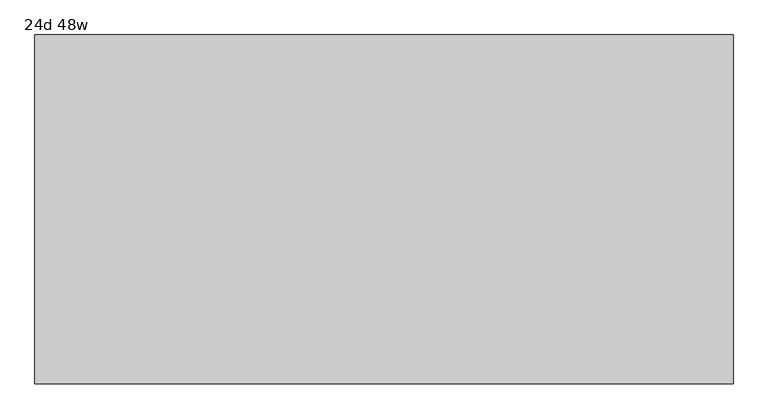
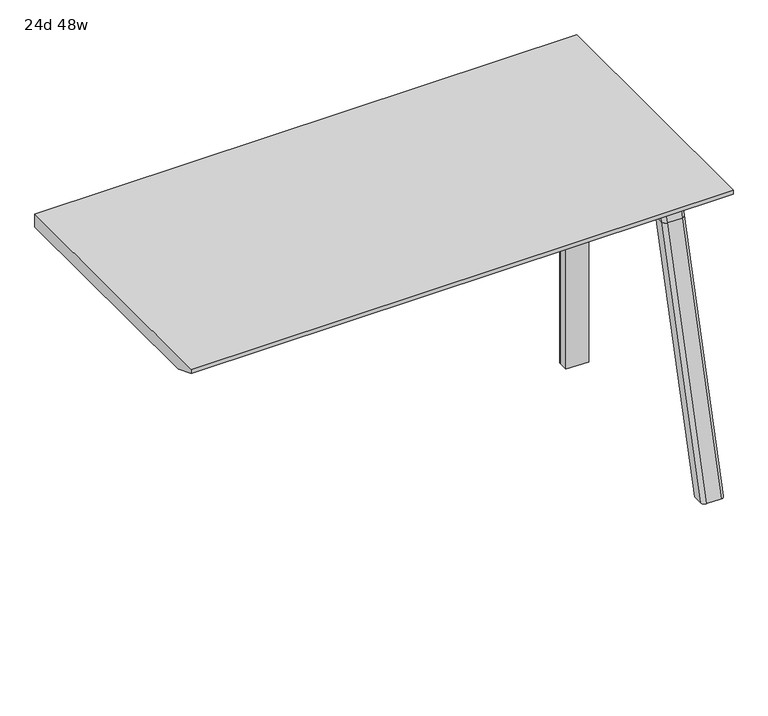
"""IFC4 building model written with IfcOpenShell, lengths in millimetres: furniture geometry, 24d 48w."""

from ifc_helpers import new_model, si_unit, point, frame, frame_2d, origin, place, context, project, spatial, polyline, circle_curve, ellipse_curve, trimmed, segment, composite_curve, outline, extrude, source, transform, mapped, element, save
from ifc_brep_helpers import plane_surface, cylinder_surface, revolved_surface, advanced_brep


def furniture_24d_48w_3c1b94b5(model_context):
    return source(origin(), model_context, "Body", "SolidModel", [
        extrude(outline(composite_curve([segment(polyline([(-258.4909766, 711.2), (-267.5490774, 677.3947076)]), True, "CONTINUOUS"), segment(trimmed(circle_curve(frame_2d((-282.8831499, 681.5034599)), 15.875), [point((-267.5490774, 677.3947076))], [point((-282.8831499, 665.6284599))], False, "CARTESIAN"), True, "CONTINUOUS"), segment(polyline([(-282.8831499, 665.6284599), (-553.1863033, 665.6284599)]), True, "CONTINUOUS"), segment(trimmed(circle_curve(frame_2d((-553.1863033, 681.5034599)), 15.875), [point((-553.1863033, 665.6284599))], [point((-568.5203758, 677.3947076))], False, "CARTESIAN"), True, "CONTINUOUS"), segment(polyline([(-568.5203758, 677.3947076), (-577.5784766, 711.2), (-258.4909766, 711.2)]), True, "CONTINUOUS")], self_intersect=False)), frame((774.7, 0.0, 0.0), z_axis=(1.0, 0.0, 0.0), x_axis=(0.0, 1.0, 0.0)), (0.0, 0.0, 1.0), 38.1),
        extrude(outline(polyline([(819.15, -318.8159766), (819.15, -517.2534766), (768.35, -517.2534766), (768.35, -318.8159766), (819.15, -318.8159766)])), frame((0.0, 0.0, 635.6476591), z_axis=(0.0, 0.0, 1.0), x_axis=(1.0, 0.0, 0.0)), (0.0, 0.0, 1.0), 29.9808008),
        advanced_brep(
        [(819.15, -258.4446478, 711.2), (819.15, -267.5027486, 677.3947076), (819.15, -282.8368211, 665.6284599), (819.15, -318.8159766, 665.6284599), (819.15, -318.8159766, 635.6476591), (819.15, -307.7034766, 635.6476591), (819.15, -256.9034766, 584.8476591), (819.15, -256.9034766, 576.659375), (819.15, -234.6784766, 576.659375), (819.15, -234.6784766, 711.2), (768.35, -256.9034766, 576.659375), (768.35, -256.9034766, 584.8476591), (768.35, -307.7034766, 635.6476591), (768.35, -318.8159766, 635.6476591), (768.35, -318.8159766, 665.6284599), (768.35, -282.8368211, 665.6284599), (768.35, -267.5027486, 677.3947076), (768.35, -258.4446478, 711.2), (768.35, -234.6784766, 711.2), (768.35, -234.6784766, 576.659375), (809.625, -225.1534766, 711.2), (777.875, -225.1534766, 711.2), (777.875, -225.1534766, 576.659375), (809.625, -225.1534766, 576.659375)],
        [
            (0, 1),
            (1, 2, circle_curve(frame((819.15, -282.8368211, 681.5034599), z_axis=(-1.0, 0.0, 0.0), x_axis=(0.0, 1.0, 0.0)), 15.875)),
            (2, 3),
            (3, 4),
            (4, 5),
            (5, 6, circle_curve(frame((819.15, -307.7034766, 584.8476591), z_axis=(-1.0, 0.0, 0.0), x_axis=(0.0, 1.0, 0.0)), 50.8)),
            (6, 7),
            (7, 8),
            (8, 9),
            (9, 0),
            (10, 11),
            (11, 12, circle_curve(frame((768.35, -307.7034766, 584.8476591), z_axis=(1.0, 0.0, 0.0), x_axis=(0.0, 1.0, 0.0)), 50.8)),
            (12, 13),
            (13, 14),
            (14, 15),
            (15, 16, circle_curve(frame((768.35, -282.8368211, 681.5034599), z_axis=(1.0, 0.0, 0.0), x_axis=(0.0, 1.0, 0.0)), 15.875)),
            (16, 17),
            (17, 18),
            (18, 19),
            (19, 10),
            (17, 0),
            (9, 20, circle_curve(frame((809.625, -234.6784766, 711.2), z_axis=(0.0, 0.0, 1.0), x_axis=(-1.0, 0.0, 0.0)), 9.525)),
            (20, 21),
            (21, 18, circle_curve(frame((777.875, -234.6784766, 711.2), z_axis=(0.0, 0.0, 1.0), x_axis=(-1.0, 0.0, 0.0)), 9.525)),
            (16, 1),
            (15, 2),
            (14, 3),
            (13, 4),
            (12, 5),
            (7, 10),
            (19, 22, circle_curve(frame((777.875, -234.6784766, 576.659375), z_axis=(0.0, 0.0, -1.0), x_axis=(-1.0, 0.0, 0.0)), 9.525)),
            (22, 23),
            (23, 8, circle_curve(frame((809.625, -234.6784766, 576.659375), z_axis=(0.0, 0.0, -1.0), x_axis=(-1.0, 0.0, 0.0)), 9.525)),
            (11, 6),
            (23, 20),
            (21, 22),
        ],
        [
            plane_surface(frame((819.15, -218.226947, 711.2), z_axis=(1.0, 0.0, 0.0), x_axis=(0.0, -1.0, 0.0))),
            plane_surface(frame((768.35, -218.226947, 711.2), z_axis=(-1.0, 0.0, 0.0), x_axis=(0.0, 1.0, 0.0))),
            plane_surface(frame((819.15, -218.226947, 711.2), z_axis=(0.0, 0.0, 1.0), x_axis=(-1.0, 0.0, 0.0))),
            plane_surface(frame((819.15, -258.4446478, 711.2), z_axis=(0.0, -0.9659258262890683, 0.2588190451025207), x_axis=(-1.0, 0.0, 0.0))),
            revolved_surface(polyline([(768.35, -266.9618211, 681.5034599), (819.15, -266.9618211, 681.5034599)]), (768.35, -282.8368211, 681.5034599), (-1.0, 0.0, 0.0)),
            plane_surface(frame((819.15, -282.8368211, 665.6284599), z_axis=(0.0, 0.0, 1.0), x_axis=(-1.0, 0.0, 0.0))),
            plane_surface(frame((819.15, -318.8159766, 665.6284599), z_axis=(0.0, -1.0, 0.0), x_axis=(-1.0, 0.0, 0.0))),
            plane_surface(frame((819.15, -318.8159766, 635.6476591), z_axis=(0.0, 0.0, -1.0), x_axis=(-1.0, 0.0, 0.0))),
            plane_surface(frame((819.15, -256.9034766, 576.659375), z_axis=(0.0, 0.0, -1.0), x_axis=(-1.0, 0.0, 0.0))),
            revolved_surface(polyline([(768.35, -256.9034766, 584.8476591), (819.15, -256.9034766, 584.8476591)]), (768.35, -307.7034766, 584.8476591), (-1.0, 0.0, 0.0)),
            plane_surface(frame((819.15, -256.9034766, 584.8476591), z_axis=(0.0, -1.0, 0.0), x_axis=(-1.0, 0.0, 0.0))),
            cylinder_surface(frame((809.625, -234.6784766, 524.9807374), z_axis=(0.0, 0.0, -1.0), x_axis=(-1.0, 0.0, 0.0)), 9.525),
            cylinder_surface(frame((777.875, -234.6784766, 524.9807374), z_axis=(0.0, 0.0, -1.0), x_axis=(-1.0, 0.0, 0.0)), 9.525),
            plane_surface(frame((777.875, -225.1534766, 711.2), z_axis=(0.0, 1.0, 0.0), x_axis=(0.0, 0.0, -1.0))),
        ],
        [
            (0, [[1, 2, 3, 4, 5, 6, 7, 8, 9, 10]]),
            (1, [[11, 12, 13, 14, 15, 16, 17, 18, 19, 20]]),
            (2, [[21, -10, 22, 23, 24, -18]]),
            (3, [[-1, -21, -17, 25]]),
            (4, [[-2, -25, -16, 26]]),
            (5, [[-3, -26, -15, 27]]),
            (6, [[-4, -27, -14, 28]]),
            (7, [[-5, -28, -13, 29]]),
            (8, [[30, -20, 31, 32, 33, -8]]),
            (9, [[-6, -29, -12, 34]]),
            (10, [[-7, -34, -11, -30]]),
            (11, [[35, -22, -9, -33]]),
            (12, [[36, -31, -19, -24]]),
            (13, [[-35, -32, -36, -23]]),
        ],
    ),
        advanced_brep(
        [(768.35, -256.9034766, 576.659375), (819.15, -256.9034766, 576.659375), (819.15, -234.6784766, 576.659375), (809.625, -225.1534766, 576.659375), (777.875, -225.1534766, 576.659375), (768.35, -234.6784766, 576.659375), (768.35, -256.9034766, 0.0), (768.35, -234.6784766, 0.0), (777.875, -225.1534766, 0.0), (809.625, -225.1534766, 0.0), (819.15, -234.6784766, 0.0), (819.15, -256.9034766, 0.0), (819.15, -234.6784766, 524.9807374), (809.625, -225.1534766, 524.9807374), (777.875, -225.1534766, 524.9807374), (768.35, -234.6784766, 524.9807374)],
        [
            (0, 1),
            (1, 2),
            (2, 3, circle_curve(frame((809.625, -234.6784766, 576.659375), z_axis=(0.0, 0.0, 1.0), x_axis=(-1.0, 0.0, 0.0)), 9.525)),
            (3, 4),
            (4, 5, circle_curve(frame((777.875, -234.6784766, 576.659375), z_axis=(0.0, 0.0, 1.0), x_axis=(-1.0, 0.0, 0.0)), 9.525)),
            (5, 0),
            (6, 7),
            (7, 8, circle_curve(frame((777.875, -234.6784766, 0.0), z_axis=(0.0, 0.0, -1.0), x_axis=(-1.0, 0.0, 0.0)), 9.525)),
            (8, 9),
            (9, 10, circle_curve(frame((809.625, -234.6784766, 0.0), z_axis=(0.0, 0.0, -1.0), x_axis=(-1.0, 0.0, 0.0)), 9.525)),
            (10, 11),
            (11, 6),
            (0, 6),
            (11, 1),
            (10, 12),
            (12, 2),
            (9, 13),
            (13, 3),
            (8, 14),
            (14, 4),
            (7, 15),
            (15, 5),
        ],
        [
            plane_surface(frame((826.3462903, -256.9034766, 576.659375), z_axis=(0.0, 0.0, 1.0), x_axis=(1.0, 0.0, 0.0))),
            plane_surface(frame((826.3462903, -256.9034766, 0.0), z_axis=(0.0, 0.0, -1.0), x_axis=(-1.0, 0.0, 0.0))),
            plane_surface(frame((768.35, -256.9034766, 576.659375), z_axis=(0.0, -1.0, 0.0), x_axis=(0.0, 0.0, -1.0))),
            plane_surface(frame((819.15, -256.9034766, 576.659375), z_axis=(1.0, 0.0, 0.0), x_axis=(0.0, 0.0, -1.0))),
            cylinder_surface(frame((809.625, -234.6784766, 0.0), z_axis=(0.0, 0.0, 1.0), x_axis=(-1.0, 0.0, 0.0)), 9.525),
            plane_surface(frame((809.625, -225.1534766, 576.659375), z_axis=(0.0, 1.0, 0.0), x_axis=(0.0, 0.0, -1.0))),
            cylinder_surface(frame((777.875, -234.6784766, 0.0), z_axis=(0.0, 0.0, 1.0), x_axis=(-1.0, 0.0, 0.0)), 9.525),
            plane_surface(frame((768.35, -234.6784766, 576.659375), z_axis=(-1.0, 0.0, 0.0), x_axis=(0.0, 0.0, -1.0))),
        ],
        [
            (0, [[1, 2, 3, 4, 5, 6]]),
            (1, [[7, 8, 9, 10, 11, 12]]),
            (2, [[-1, 13, -12, 14]]),
            (3, [[-2, -14, -11, 15, 16]]),
            (4, [[-3, -16, -15, -10, 17, 18]]),
            (5, [[-4, -18, -17, -9, 19, 20]]),
            (6, [[-5, -20, -19, -8, 21, 22]]),
            (7, [[-6, -22, -21, -7, -13]]),
        ],
    ),
        advanced_brep(
        [(768.35, -571.2748053, 711.2), (768.35, -562.2167045, 677.3947076), (768.35, -546.882632, 665.6284599), (768.35, -517.2534766, 665.6284599), (768.35, -517.2534766, 635.6476591), (768.35, -540.1247088, 635.6476591), (768.35, -604.5278133, 586.2294189), (768.35, -607.0860254, 576.6820411), (768.35, -628.1899953, 576.6820411), (768.35, -592.7413517, 711.2), (819.15, -607.0860254, 576.6820411), (819.15, -604.5278133, 586.2294189), (819.15, -540.1247088, 635.6476591), (819.15, -517.2534766, 635.6476591), (819.15, -517.2534766, 665.6284599), (819.15, -546.882632, 665.6284599), (819.15, -562.2167045, 677.3947076), (819.15, -571.2748053, 711.2), (819.15, -592.7413517, 711.2), (819.15, -628.1899953, 576.6820411), (774.6138162, -601.9961962, 711.2), (812.8861838, -601.9961962, 711.2), (809.625, -638.0401747, 576.6820411), (777.875, -638.0401747, 576.6820411)],
        [
            (0, 1),
            (1, 2, circle_curve(frame((768.35, -546.882632, 681.5034599), z_axis=(1.0, 0.0, 0.0), x_axis=(0.0, -1.0, 0.0)), 15.875)),
            (2, 3),
            (3, 4),
            (4, 5),
            (5, 6, circle_curve(frame((768.35, -540.1247088, 568.9726591), z_axis=(1.0, 0.0, 0.0), x_axis=(0.0, -1.0, 0.0)), 66.675)),
            (6, 7),
            (7, 8),
            (8, 9),
            (9, 0),
            (10, 11),
            (11, 12, circle_curve(frame((819.15, -540.1247088, 568.9726591), z_axis=(-1.0, 0.0, 0.0), x_axis=(0.0, -1.0, 0.0)), 66.675)),
            (12, 13),
            (13, 14),
            (14, 15),
            (15, 16, circle_curve(frame((819.15, -546.882632, 681.5034599), z_axis=(-1.0, 0.0, 0.0), x_axis=(0.0, -1.0, 0.0)), 15.875)),
            (16, 17),
            (17, 18),
            (18, 19),
            (19, 10),
            (17, 0),
            (9, 20, ellipse_curve(frame((777.875, -592.7413517, 711.2), z_axis=(0.0, 0.0, 1.0), x_axis=(0.0, -1.0, 0.0)), 9.8501793, 9.525)),
            (20, 21),
            (21, 18, ellipse_curve(frame((809.625, -592.7413517, 711.2), z_axis=(0.0, 0.0, 1.0), x_axis=(0.0, -1.0, 0.0)), 9.8501793, 9.525)),
            (16, 1),
            (15, 2),
            (14, 3),
            (13, 4),
            (12, 5),
            (11, 6),
            (10, 7),
            (19, 22, ellipse_curve(frame((809.625, -628.1899953, 576.6820411), z_axis=(0.0, 0.0, -1.0), x_axis=(0.0, -1.0, 0.0)), 9.8501793, 9.525)),
            (22, 23),
            (23, 8, ellipse_curve(frame((777.875, -628.1899953, 576.6820411), z_axis=(0.0, 0.0, -1.0), x_axis=(0.0, -1.0, 0.0)), 9.8501793, 9.525)),
            (20, 23, ellipse_curve(frame((777.875, -41.6704606, 2802.3641142), z_axis=(0.0, -0.9659258262890684, 0.2588190451025206), x_axis=(0.0, -0.2588190451025206, -0.9659258262890684)), 2304.1956354, 9.525)),
            (22, 21, ellipse_curve(frame((809.625, -41.6704606, 2802.3641142), z_axis=(0.0, -0.9659258262890684, 0.2588190451025206), x_axis=(0.0, -0.2588190451025206, -0.9659258262890684)), 2304.1956354, 9.525)),
        ],
        [
            plane_surface(frame((768.35, -601.9961962, 711.2), z_axis=(-1.0, 0.0, 0.0), x_axis=(0.0, 1.0, 0.0))),
            plane_surface(frame((819.15, -601.9961962, 711.2), z_axis=(1.0, 0.0, 0.0), x_axis=(0.0, -1.0, 0.0))),
            plane_surface(frame((768.35, -601.9961962, 711.2), z_axis=(0.0, 0.0, 1.0), x_axis=(1.0, 0.0, 0.0))),
            plane_surface(frame((768.35, -571.2748053, 711.2), z_axis=(0.0, 0.9659258262890683, 0.2588190451025207), x_axis=(1.0, 0.0, 0.0))),
            revolved_surface(polyline([(819.15, -562.757632, 681.5034599), (768.35, -562.757632, 681.5034599)]), (819.15, -546.882632, 681.5034599), (1.0, 0.0, 0.0)),
            plane_surface(frame((768.35, -546.882632, 665.6284599), z_axis=(0.0, 0.0, 1.0), x_axis=(1.0, 0.0, 0.0))),
            plane_surface(frame((768.35, -517.2534766, 665.6284599), z_axis=(0.0, 1.0, 0.0), x_axis=(1.0, 0.0, 0.0))),
            plane_surface(frame((768.35, -517.2534766, 635.6476591), z_axis=(0.0, 0.0, -1.0), x_axis=(1.0, 0.0, 0.0))),
            revolved_surface(polyline([(819.15, -606.7997088, 568.9726591), (768.35, -606.7997088, 568.9726591)]), (819.15, -540.1247088, 568.9726591), (1.0, 0.0, 0.0)),
            plane_surface(frame((768.35, -604.5278133, 586.2294189), z_axis=(0.0, 0.9659258262890693, -0.25881904510251696), x_axis=(1.0, 0.0, 0.0))),
            plane_surface(frame((768.35, -607.0860254, 576.6820411), z_axis=(0.0, 0.0, -1.0), x_axis=(1.0, 0.0, 0.0))),
            plane_surface(frame((768.35, -638.0401747, 576.6820411), z_axis=(0.0, -0.9659258262890684, 0.2588190451025206), x_axis=(1.0, 0.0, 0.0))),
            cylinder_surface(frame((777.875, -780.7988902, -2.4271979), z_axis=(0.0, -0.25482392474081483, -0.966987470125486), x_axis=(1.0, 0.0, 0.0)), 9.525),
            cylinder_surface(frame((809.625, -780.7988902, -2.4271979), z_axis=(0.0, -0.25482392474081483, -0.966987470125486), x_axis=(1.0, 0.0, 0.0)), 9.525),
        ],
        [
            (0, [[1, 2, 3, 4, 5, 6, 7, 8, 9, 10]]),
            (1, [[11, 12, 13, 14, 15, 16, 17, 18, 19, 20]]),
            (2, [[21, -10, 22, 23, 24, -18]]),
            (3, [[-1, -21, -17, 25]]),
            (4, [[-2, -25, -16, 26]]),
            (5, [[-3, -26, -15, 27]]),
            (6, [[-4, -27, -14, 28]]),
            (7, [[-5, -28, -13, 29]]),
            (8, [[-6, -29, -12, 30]]),
            (9, [[-7, -30, -11, 31]]),
            (10, [[-31, -20, 32, 33, 34, -8]]),
            (11, [[-23, 35, -33, 36]]),
            (12, [[-9, -34, -35, -22]]),
            (13, [[-19, -24, -36, -32]]),
        ],
    ),
        advanced_brep(
        [(768.35, -607.0860254, 576.6820411), (768.35, -759.0552966, 0.0), (768.35, -780.1592665, 0.0), (768.35, -628.1899953, 576.6820411), (819.15, -759.0552966, 0.0), (819.15, -607.0860254, 576.6820411), (819.15, -628.1899953, 576.6820411), (819.15, -780.1592665, 0.0), (777.875, -638.0401747, 576.6820411), (809.625, -638.0401747, 576.6820411), (809.625, -790.0094458, 0.0), (777.875, -790.0094458, 0.0)],
        [
            (0, 1),
            (1, 2),
            (2, 3),
            (3, 0),
            (4, 5),
            (5, 6),
            (6, 7),
            (7, 4),
            (5, 0),
            (3, 8, ellipse_curve(frame((777.875, -628.1899953, 576.6820411), z_axis=(0.0, 0.0, 1.0), x_axis=(0.0, -1.0, 0.0)), 9.8501793, 9.525)),
            (8, 9),
            (9, 6, ellipse_curve(frame((809.625, -628.1899953, 576.6820411), z_axis=(0.0, 0.0, 1.0), x_axis=(0.0, -1.0, 0.0)), 9.8501793, 9.525)),
            (4, 1),
            (7, 10, ellipse_curve(frame((809.625, -780.1592665, 0.0), z_axis=(0.0, 0.0, -1.0), x_axis=(0.0, -1.0, 0.0)), 9.8501793, 9.525)),
            (10, 11),
            (11, 2, ellipse_curve(frame((777.875, -780.1592665, 0.0), z_axis=(0.0, 0.0, -1.0), x_axis=(0.0, -1.0, 0.0)), 9.8501793, 9.525)),
            (8, 11),
            (10, 9),
        ],
        [
            plane_surface(frame((768.35, -638.0401747, 576.6820411), z_axis=(-1.0, 0.0, 0.0), x_axis=(0.0, 1.0, 0.0))),
            plane_surface(frame((819.15, -638.0401747, 576.6820411), z_axis=(1.0, 0.0, 0.0), x_axis=(0.0, -1.0, 0.0))),
            plane_surface(frame((768.35, -638.0401747, 576.6820411), z_axis=(0.0, 0.0, 1.0), x_axis=(1.0, 0.0, 0.0))),
            plane_surface(frame((768.35, -607.0860254, 576.6820411), z_axis=(0.0, 0.9669874701254844, -0.2548239247408208), x_axis=(1.0, 0.0, 0.0))),
            plane_surface(frame((768.35, -759.0552966, 0.0), z_axis=(0.0, 0.0, -1.0), x_axis=(1.0, 0.0, 0.0))),
            plane_surface(frame((768.35, -790.0094458, 0.0), z_axis=(0.0, -0.9669874701254855, 0.2548239247408166), x_axis=(1.0, 0.0, 0.0))),
            cylinder_surface(frame((777.875, -780.7988902, -2.4271979), z_axis=(0.0, -0.25482392474081483, -0.966987470125486), x_axis=(1.0, 0.0, 0.0)), 9.525),
            cylinder_surface(frame((809.625, -780.7988902, -2.4271979), z_axis=(0.0, -0.25482392474081483, -0.966987470125486), x_axis=(1.0, 0.0, 0.0)), 9.525),
        ],
        [
            (0, [[1, 2, 3, 4]]),
            (1, [[5, 6, 7, 8]]),
            (2, [[9, -4, 10, 11, 12, -6]]),
            (3, [[-1, -9, -5, 13]]),
            (4, [[-13, -8, 14, 15, 16, -2]]),
            (5, [[-11, 17, -15, 18]]),
            (6, [[-3, -16, -17, -10]]),
            (7, [[-7, -12, -18, -14]]),
        ],
    ),
        extrude(outline(polyline([(-809.3534766, 741.3625), (-199.7534766, 741.3625), (-199.7534766, 711.2), (-758.5534766, 711.2), (-809.3534766, 731.8375), (-809.3534766, 741.3625)])), frame((-393.7, 0.0, 0.0), z_axis=(1.0, 0.0, 0.0), x_axis=(0.0, 1.0, 0.0)), (0.0, 0.0, 1.0), 1219.2),
    ])


if __name__ == "__main__":
    model = new_model("IFC4")
    model_context = context("Model", 3, world=origin())
    ifc_project = project(units=[si_unit("LENGTHUNIT", "METRE", prefix="MILLI")], contexts=[model_context])
    site = spatial("IfcSite", under=ifc_project)
    building = spatial("IfcBuilding", under=site)
    placement = place(None, origin())
    furniture_24d_48w_shape = furniture_24d_48w_3c1b94b5(model_context)
    element("IfcFurniture", 1, ObjectType="24d 48w", at=placement, inside=building, context=model_context, shape_type="MappedRepresentation", body=[
        mapped(furniture_24d_48w_shape, transform((0.0, 0.0, 0.0), x_axis=(1.0, 0.0, 0.0), y_axis=(0.0, 1.0, 0.0), z_axis=(0.0, 0.0, 1.0))),
    ])
    save(model, "model.ifc")
